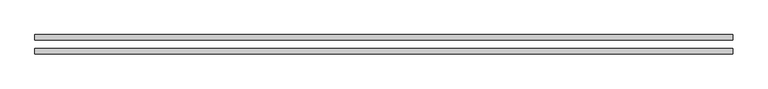
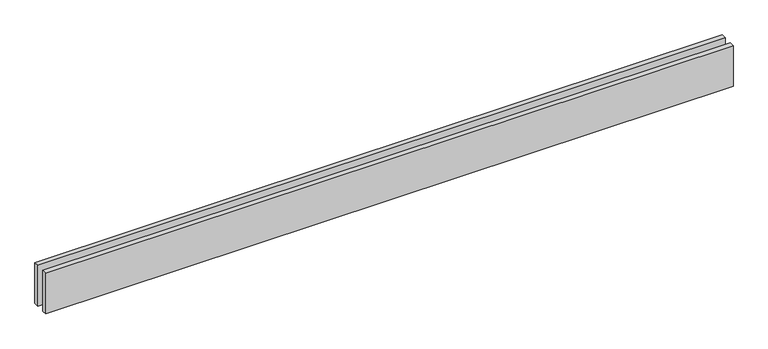
"""IFC4 building model written with IfcOpenShell, lengths in millimetres: proxy geometry."""

from ifc_helpers import new_model, si_unit, origin, origin_with_axes, place, context, project, spatial, polyline, outline, extrude, source, transform, mapped, element, save


def generic_models_7354466e(model_context):
    return source(origin(), model_context, "Body", "SweptSolid", [
        extrude(outline(polyline([(4000.0, -25.0), (4000.0, -55.0), (0.0, -55.0), (0.0, -25.0), (4000.0, -25.0)])), origin_with_axes(), (0.0, 0.0, 1.0), 250.0),
        extrude(outline(polyline([(4000.0, 55.0), (4000.0, 25.0), (0.0, 25.0), (0.0, 55.0), (4000.0, 55.0)])), origin_with_axes(), (0.0, 0.0, 1.0), 250.0),
    ])


if __name__ == "__main__":
    model = new_model("IFC4")
    model_context = context("Model", 3, world=origin())
    ifc_project = project(units=[si_unit("LENGTHUNIT", "METRE", prefix="MILLI")], contexts=[model_context])
    site = spatial("IfcSite", under=ifc_project)
    building = spatial("IfcBuilding", under=site)
    placement = place(None, origin())
    generic_models_shape = generic_models_7354466e(model_context)
    element("IfcBuildingElementProxy", 1, Name="Generic Models", at=placement, inside=building, context=model_context, shape_type="MappedRepresentation", body=[
        mapped(generic_models_shape, transform((0.0, 0.0, 0.0), x_axis=(1.0, 0.0, 0.0), y_axis=(0.0, 1.0, 0.0), z_axis=(0.0, 0.0, 1.0))),
    ])
    save(model, "model.ifc")
